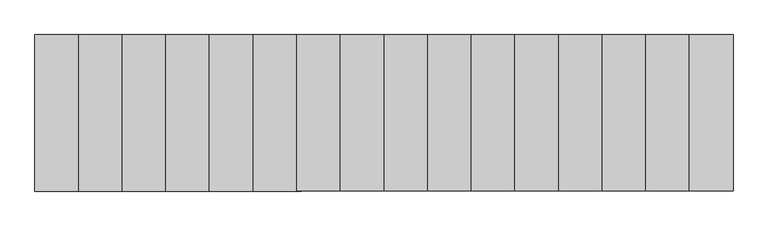
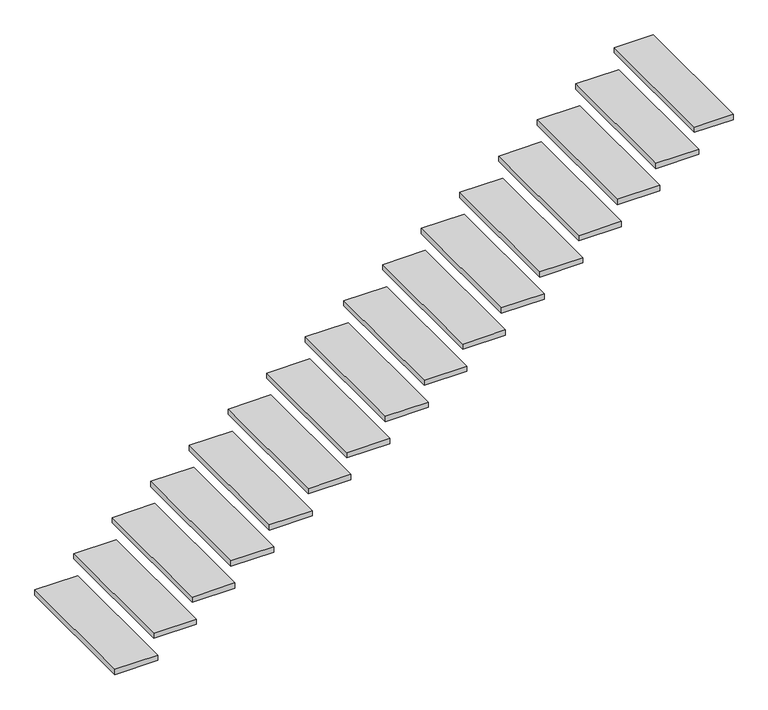
"""IFC4 building model written with IfcOpenShell, lengths in millimetres: stair flight geometry."""

from ifc_helpers import new_model, si_unit, frame, origin, place, context, project, spatial, polyline, outline, extrude, source, transform, mapped, element, save


def stair_flight_35ae3238(model_context):
    return source(origin(), model_context, "Body", "SweptSolid", [
        extrude(outline(polyline([(50328.75, 1000.0), (50328.75, 0.0), (50020.0, 0.0), (50020.0, 1000.0), (50328.75, 1000.0)])), frame((0.0, 0.0, 138.125), z_axis=(0.0, 0.0, 1.0), x_axis=(1.0, 0.0, 0.0)), (0.0, 0.0, 1.0), 40.0),
        extrude(outline(polyline([(50607.5, 1000.0), (50607.5, 0.0), (50298.75, 0.0), (50298.75, 1000.0), (50607.5, 1000.0)])), frame((0.0, 0.0, 316.25), z_axis=(0.0, 0.0, 1.0), x_axis=(1.0, 0.0, 0.0)), (0.0, 0.0, 1.0), 40.0),
        extrude(outline(polyline([(50886.25, 1000.0), (50886.25, 0.0), (50577.5, 0.0), (50577.5, 1000.0), (50886.25, 1000.0)])), frame((0.0, 0.0, 494.375), z_axis=(0.0, 0.0, 1.0), x_axis=(1.0, 0.0, 0.0)), (0.0, 0.0, 1.0), 40.0),
        extrude(outline(polyline([(51165.0, 1000.0), (51165.0, 0.0), (50856.25, 0.0), (50856.25, 1000.0), (51165.0, 1000.0)])), frame((0.0, 0.0, 672.5), z_axis=(0.0, 0.0, 1.0), x_axis=(1.0, 0.0, 0.0)), (0.0, 0.0, 1.0), 40.0),
        extrude(outline(polyline([(51443.75, 1000.0), (51443.75, 0.0), (51135.0, 0.0), (51135.0, 1000.0), (51443.75, 1000.0)])), frame((0.0, 0.0, 850.625), z_axis=(0.0, 0.0, 1.0), x_axis=(1.0, 0.0, 0.0)), (0.0, 0.0, 1.0), 40.0),
        extrude(outline(polyline([(51722.5, 1000.0), (51722.5, 0.0), (51413.75, 0.0), (51413.75, 1000.0), (51722.5, 1000.0)])), frame((0.0, 0.0, 1028.75), z_axis=(0.0, 0.0, 1.0), x_axis=(1.0, 0.0, 0.0)), (0.0, 0.0, 1.0), 40.0),
        extrude(outline(polyline([(52001.25, 1000.0), (52001.25, 0.0), (51692.5, 0.0), (51692.5, 1000.0), (52001.25, 1000.0)])), frame((0.0, 0.0, 1206.875), z_axis=(0.0, 0.0, 1.0), x_axis=(1.0, 0.0, 0.0)), (0.0, 0.0, 1.0), 40.0),
        extrude(outline(polyline([(52280.0, 1000.0), (52280.0, 0.0), (51971.25, 0.0), (51971.25, 1000.0), (52280.0, 1000.0)])), frame((0.0, 0.0, 1385.0), z_axis=(0.0, 0.0, 1.0), x_axis=(1.0, 0.0, 0.0)), (0.0, 0.0, 1.0), 40.0),
        extrude(outline(polyline([(52558.75, 1000.0), (52558.75, 0.0), (52250.0, 0.0), (52250.0, 1000.0), (52558.75, 1000.0)])), frame((0.0, 0.0, 1563.125), z_axis=(0.0, 0.0, 1.0), x_axis=(1.0, 0.0, 0.0)), (0.0, 0.0, 1.0), 40.0),
        extrude(outline(polyline([(52837.5, 1000.0), (52837.5, 0.0), (52528.75, 0.0), (52528.75, 1000.0), (52837.5, 1000.0)])), frame((0.0, 0.0, 1741.25), z_axis=(0.0, 0.0, 1.0), x_axis=(1.0, 0.0, 0.0)), (0.0, 0.0, 1.0), 40.0),
        extrude(outline(polyline([(53116.25, 1000.0), (53116.25, 0.0), (52807.5, 0.0), (52807.5, 1000.0), (53116.25, 1000.0)])), frame((0.0, 0.0, 1919.375), z_axis=(0.0, 0.0, 1.0), x_axis=(1.0, 0.0, 0.0)), (0.0, 0.0, 1.0), 40.0),
        extrude(outline(polyline([(53395.0, 1000.0), (53395.0, 0.0), (53086.25, 0.0), (53086.25, 1000.0), (53395.0, 1000.0)])), frame((0.0, 0.0, 2097.5), z_axis=(0.0, 0.0, 1.0), x_axis=(1.0, 0.0, 0.0)), (0.0, 0.0, 1.0), 40.0),
        extrude(outline(polyline([(53673.75, 1000.0), (53673.75, 0.0), (53365.0, 0.0), (53365.0, 1000.0), (53673.75, 1000.0)])), frame((0.0, 0.0, 2275.625), z_axis=(0.0, 0.0, 1.0), x_axis=(1.0, 0.0, 0.0)), (0.0, 0.0, 1.0), 40.0),
        extrude(outline(polyline([(53952.5, 1000.0), (53952.5, 0.0), (53643.75, 0.0), (53643.75, 1000.0), (53952.5, 1000.0)])), frame((0.0, 0.0, 2453.75), z_axis=(0.0, 0.0, 1.0), x_axis=(1.0, 0.0, 0.0)), (0.0, 0.0, 1.0), 40.0),
        extrude(outline(polyline([(54231.25, 1000.0), (54231.25, 0.0), (53922.5, 0.0), (53922.5, 1000.0), (54231.25, 1000.0)])), frame((0.0, 0.0, 2631.875), z_axis=(0.0, 0.0, 1.0), x_axis=(1.0, 0.0, 0.0)), (0.0, 0.0, 1.0), 40.0),
        extrude(outline(polyline([(54480.0, 1000.0), (54480.0, 0.0), (54201.25, 0.0), (54201.25, 1000.0), (54480.0, 1000.0)])), frame((0.0, 0.0, 2810.0), z_axis=(0.0, 0.0, 1.0), x_axis=(1.0, 0.0, 0.0)), (0.0, 0.0, 1.0), 40.0),
    ])


if __name__ == "__main__":
    model = new_model("IFC4")
    model_context = context("Model", 3, world=origin())
    ifc_project = project(units=[si_unit("LENGTHUNIT", "METRE", prefix="MILLI")], contexts=[model_context])
    site = spatial("IfcSite", under=ifc_project)
    building = spatial("IfcBuilding", under=site)
    placement = place(None, origin())
    stair_flight_shape = stair_flight_35ae3238(model_context)
    element("IfcStairFlight", 1, at=placement, inside=building, context=model_context, shape_type="MappedRepresentation", body=[
        mapped(stair_flight_shape, transform((0.0, 0.0, 0.0), x_axis=(1.0, 0.0, 0.0), y_axis=(0.0, 1.0, 0.0), z_axis=(0.0, 0.0, 1.0))),
    ])
    save(model, "model.ifc")
